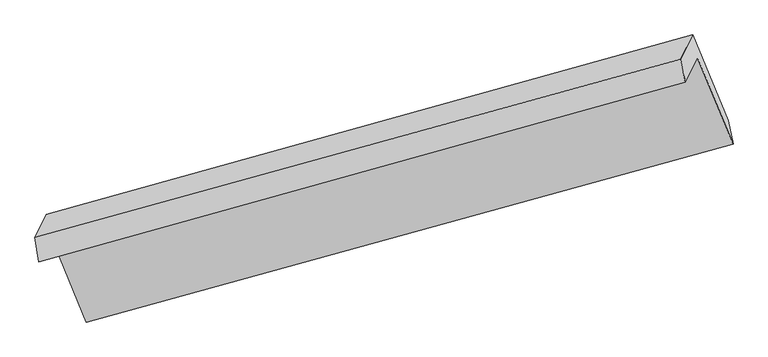
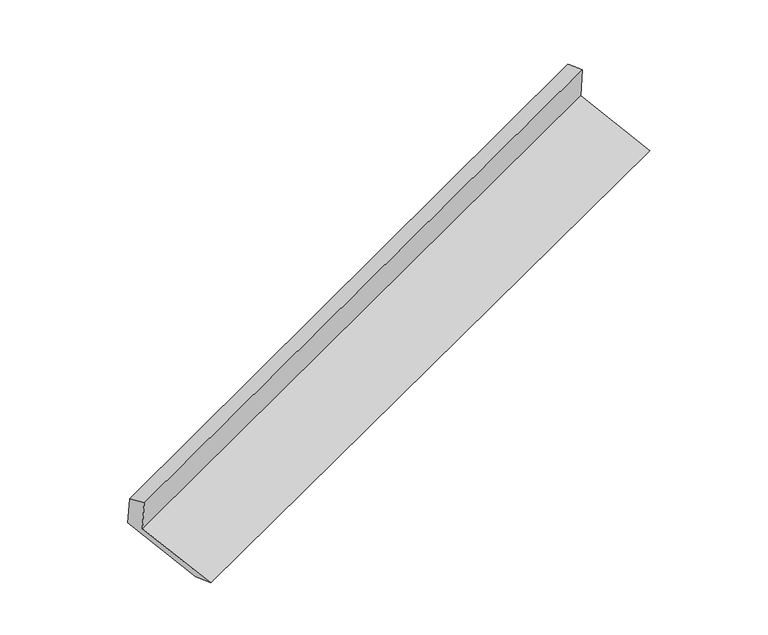
"""IFC4 building model written with IfcOpenShell, lengths in millimetres: proxy geometry."""

from ifc_helpers import new_model, si_unit, frame, origin, place, context, project, spatial, source, transform, mapped, element, save
from ifc_brep_helpers import plane_surface, spline_surface, advanced_brep


def generic_models_984dedd9(model_context):
    return source(origin(), model_context, "Body", "AdvancedBrep", [
        advanced_brep(
        [(-5195.6792493, -2118.4326688, 1466.1139395), (-5112.5427016, -1948.9814059, 1102.5878623), (-683.898353, -717.2791015, 2689.5323732), (-767.0349006, -886.7303643, 3053.0584504), (-5223.0194955, -1951.7409636, 1412.164442), (-798.4344945, -728.3125365, 3016.8590135), (-5145.3037985, -1793.3386318, 1072.3417855), (-716.6594498, -561.6363274, 2659.2862965), (-4905.8373349, -2372.0049018, 857.371471), (-473.5763574, -1149.042114, 2441.0693151), (-4871.2530023, -2532.0534913, 885.9808194), (-438.9920248, -1309.0907034, 2469.6786634)],
        [
            (0, 1),
            (1, 2),
            (2, 3),
            (3, 0),
            (4, 0),
            (3, 5),
            (5, 4),
            (6, 4),
            (5, 7),
            (7, 6),
            (8, 6),
            (7, 9),
            (9, 8),
            (10, 8),
            (9, 11),
            (11, 10),
            (1, 10),
            (11, 2),
        ],
        [
            plane_surface(frame((-5154.1109755, -2033.7070373, 1284.3509009), z_axis=(0.35979093991345956, -0.8744743457039166, -0.32533843649636096), x_axis=(0.2029673862927554, 0.4136938674852705, -0.8875030276605071))),
            spline_surface(1, 1, [[(-5223.0194955, -1951.7409636, 1412.164442), (-798.4344945, -728.3125365, 3016.8590135)], [(-5195.6792493, -2118.4326688, 1466.1139395), (-767.0349006, -886.7303643, 3053.0584504)]], [2, 2], [2, 2], [0.0, 1.0], [0.0, 1.0]),
            plane_surface(frame((-5184.161647, -1872.5397977, 1242.2531137), z_axis=(-0.3597909399134667, 0.8744743457039037, 0.3253384364963869), x_axis=(-0.2029673862927721, -0.4136938674853042, 0.8875030276604876))),
            plane_surface(frame((-5025.5705667, -2082.6717668, 964.8566283), z_axis=(0.20296738629277006, 0.4136938674853066, -0.8875030276604869), x_axis=(-0.3616628848310676, 0.8739516566304173, 0.32466669002011755))),
            plane_surface(frame((-4888.5451686, -2452.0291965, 871.6761452), z_axis=(0.3568524357449886, -0.08911262077364211, -0.9299006828267854), x_axis=(-0.2080597148135375, 0.9628540262591089, -0.17211414581123996))),
            plane_surface(frame((-4991.897852, -2240.5174486, 994.2843408), z_axis=(-0.2029673862927733, -0.4136938674853036, 0.8875030276604877), x_axis=(0.3616628848310726, -0.8739516566304174, -0.32466669002011195))),
            plane_surface(frame((-646.4325967, -892.0151912, 2721.5806853), z_axis=(0.9099473599264691, 0.25508015579028986, 0.3270014010441705), x_axis=(-0.3616628848310676, 0.8739516566304173, 0.32466669002011755))),
            plane_surface(frame((-5075.6059304, -2119.4253439, 1132.7600533), z_axis=(-0.9099473599264719, -0.2550801557902847, -0.32700140104416664), x_axis=(-0.20296738629277025, -0.41369386748530396, 0.8875030276604882))),
        ],
        [
            (0, [[1, 2, 3, 4]]),
            (1, [[5, -4, 6, 7]]),
            (2, [[8, -7, 9, 10]]),
            (3, [[11, -10, 12, 13]]),
            (4, [[14, -13, 15, 16]]),
            (5, [[17, -16, 18, -2]]),
            (6, [[-12, -9, -6, -3, -18, -15]]),
            (7, [[-1, -5, -8, -11, -14, -17]]),
        ],
    ),
    ])


if __name__ == "__main__":
    model = new_model("IFC4")
    model_context = context("Model", 3, world=origin())
    ifc_project = project(units=[si_unit("LENGTHUNIT", "METRE", prefix="MILLI")], contexts=[model_context])
    site = spatial("IfcSite", under=ifc_project)
    building = spatial("IfcBuilding", under=site)
    placement = place(None, origin())
    generic_models_shape = generic_models_984dedd9(model_context)
    element("IfcBuildingElementProxy", 1, Name="Generic Models", at=placement, inside=building, context=model_context, shape_type="MappedRepresentation", body=[
        mapped(generic_models_shape, transform((0.0, 0.0, 0.0), x_axis=(1.0, 0.0, 0.0), y_axis=(0.0, 1.0, 0.0), z_axis=(0.0, 0.0, 1.0))),
    ])
    save(model, "model.ifc")
